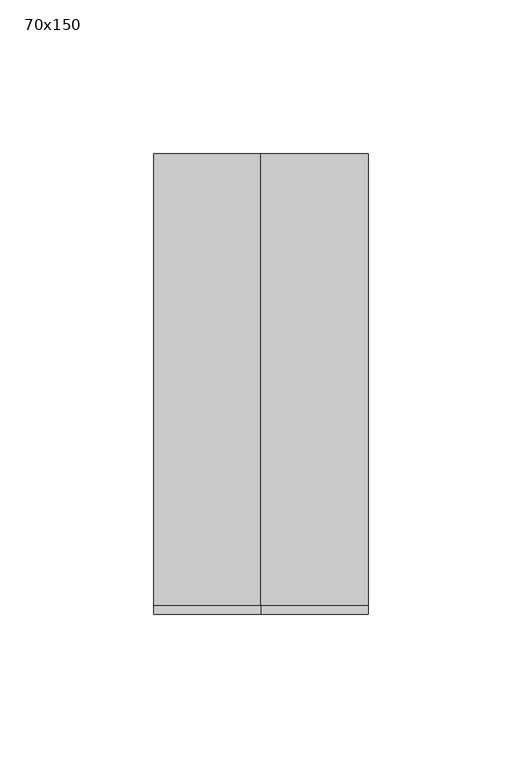
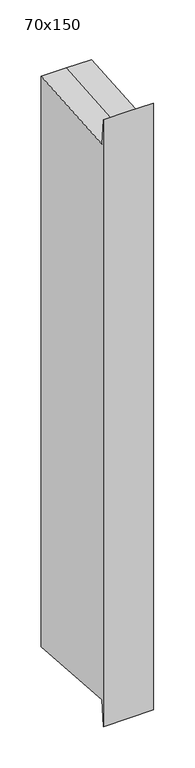
"""IFC4 building model written with IfcOpenShell, lengths in millimetres: member geometry, 70x150."""

from ifc_helpers import new_model, si_unit, origin, place, context, project, spatial, faceted_brep, source, transform, mapped, element, save


def member_70x150_482b1498(model_context):
    return source(origin(), model_context, "Body", "Brep", [
        faceted_brep([(-35.0, 75.0, 5.431663), (0.0, 75.0, 5.431663), (35.0, 75.0, 5.431663), (35.0, 75.0, -835.431663), (0.0, 75.0, -835.431663), (-35.0, 75.0, -835.431663), (-35.0, -75.0, 32.2404626), (-35.0, -72.2251205, -5.4169763), (-35.0, -72.2251205, -824.5830237), (-35.0, -75.0, -862.2404626), (35.0, -75.0, 32.2404626), (0.0, -75.0, 32.2404626), (0.0, -75.0, -862.2404626), (35.0, -75.0, -862.2404626), (35.0, -72.2251205, -5.4169763), (35.0, -72.2251205, -824.5830237), (0.0, -72.2251205, -5.4169763), (0.0, -72.2251205, -824.5830237)], [[[0, 1, 2, 3, 4, 5]], [[6, 7, 0, 5, 8, 9]], [[10, 11, 6, 9, 12, 13]], [[2, 14, 10, 13, 15, 3]], [[2, 1, 16, 14]], [[1, 0, 7, 16]], [[7, 6, 11, 16]], [[11, 10, 14, 16]], [[3, 15, 17, 4]], [[15, 13, 12, 17]], [[12, 9, 8, 17]], [[8, 5, 4, 17]]]),
    ])


if __name__ == "__main__":
    model = new_model("IFC4")
    model_context = context("Model", 3, world=origin())
    ifc_project = project(units=[si_unit("LENGTHUNIT", "METRE", prefix="MILLI")], contexts=[model_context])
    site = spatial("IfcSite", under=ifc_project)
    building = spatial("IfcBuilding", under=site)
    placement = place(None, origin())
    member_70x150_shape = member_70x150_482b1498(model_context)
    element("IfcMember", 1, ObjectType="70x150", at=placement, inside=building, context=model_context, shape_type="MappedRepresentation", body=[
        mapped(member_70x150_shape, transform((0.0, 0.0, 0.0), x_axis=(1.0, 0.0, 0.0), y_axis=(0.0, 1.0, 0.0), z_axis=(0.0, 0.0, 1.0))),
    ])
    save(model, "model.ifc")
